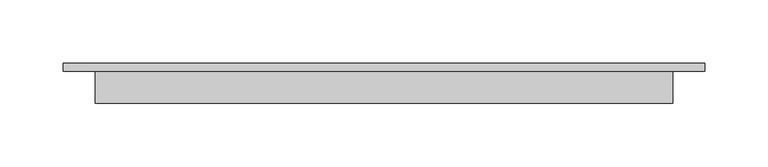
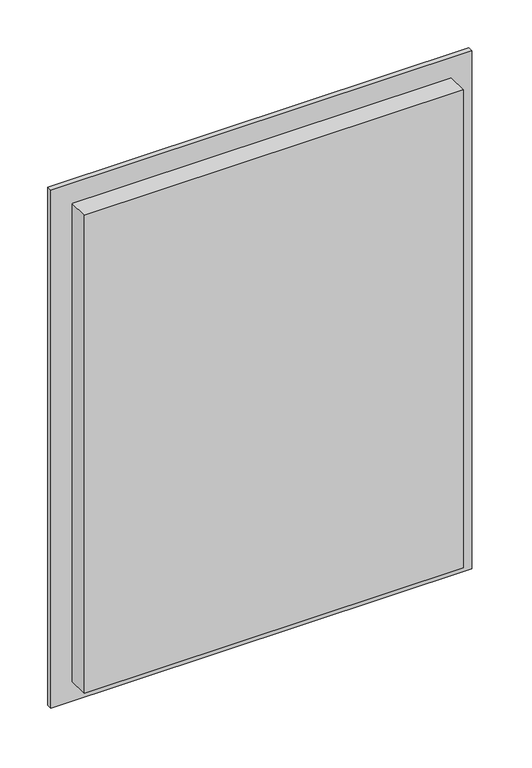
"""IFC4 building model written with IfcOpenShell, lengths in millimetres: proxy geometry."""

from ifc_helpers import new_model, si_unit, frame, origin, place, context, project, spatial, polyline, outline, extrude, source, transform, mapped, element, save


def generic_models_5722539a(model_context):
    return source(origin(), model_context, "Body", "SweptSolid", [
        extrude(outline(polyline([(-254.0, 93.6625), (254.0, 93.6625), (254.0, 87.3125), (-254.0, 87.3125), (-254.0, 93.6625)])), frame((0.0, 0.0, 1193.8), z_axis=(0.0, 0.0, 1.0), x_axis=(1.0, 0.0, 0.0)), (0.0, 0.0, 1.0), 660.4),
        extrude(outline(polyline([(-228.6, 87.3125), (228.6, 87.3125), (228.6, 61.9125), (-228.6, 61.9125), (-228.6, 87.3125)])), frame((0.0, 0.0, 1219.2), z_axis=(0.0, 0.0, 1.0), x_axis=(1.0, 0.0, 0.0)), (0.0, 0.0, 1.0), 609.6),
    ])


if __name__ == "__main__":
    model = new_model("IFC4")
    model_context = context("Model", 3, world=origin())
    ifc_project = project(units=[si_unit("LENGTHUNIT", "METRE", prefix="MILLI")], contexts=[model_context])
    site = spatial("IfcSite", under=ifc_project)
    building = spatial("IfcBuilding", under=site)
    placement = place(None, origin())
    generic_models_shape = generic_models_5722539a(model_context)
    element("IfcBuildingElementProxy", 1, Name="Generic Models", at=placement, inside=building, context=model_context, shape_type="MappedRepresentation", body=[
        mapped(generic_models_shape, transform((0.0, 0.0, 0.0), x_axis=(1.0, 0.0, 0.0), y_axis=(0.0, 1.0, 0.0), z_axis=(0.0, 0.0, 1.0))),
    ])
    save(model, "model.ifc")
